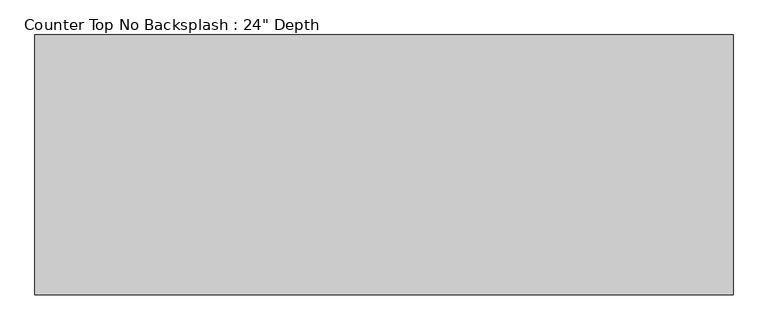
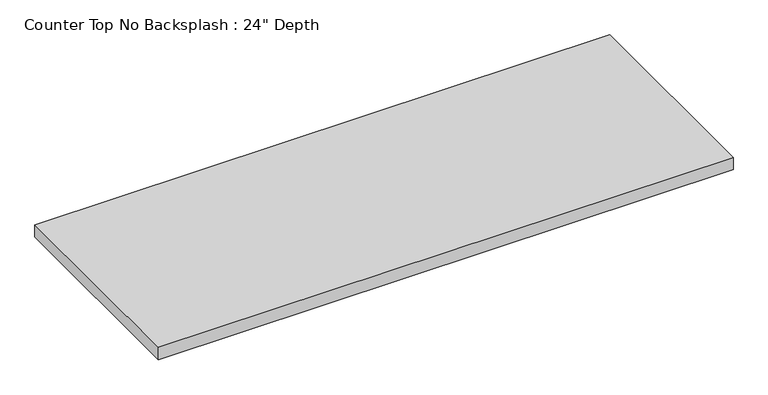
"""IFC4 building model written with IfcOpenShell, lengths in millimetres: furniture geometry."""

from ifc_helpers import new_model, si_unit, frame, origin, place, context, project, spatial, polyline, outline, extrude, source, transform, mapped, element, save


def furniture_f43108c1(model_context):
    return source(origin(), model_context, "Body", "SweptSolid", [
        extrude(outline(polyline([(504.5127049, 0.0), (504.5127049, -635.0), (-1200.4622951, -635.0), (-1200.4622951, 0.0), (504.5127049, 0.0)])), frame((0.0, 0.0, 876.3), z_axis=(0.0, 0.0, 1.0), x_axis=(1.0, 0.0, 0.0)), (0.0, 0.0, 1.0), 38.1),
    ])


if __name__ == "__main__":
    model = new_model("IFC4")
    model_context = context("Model", 3, world=origin())
    ifc_project = project(units=[si_unit("LENGTHUNIT", "METRE", prefix="MILLI")], contexts=[model_context])
    site = spatial("IfcSite", under=ifc_project)
    building = spatial("IfcBuilding", under=site)
    placement = place(None, origin())
    furniture_shape = furniture_f43108c1(model_context)
    element("IfcFurniture", 1, ObjectType="Counter Top No Backsplash : 24\" Depth", at=placement, inside=building, context=model_context, shape_type="MappedRepresentation", body=[
        mapped(furniture_shape, transform((0.0, 0.0, 0.0), x_axis=(1.0, 0.0, 0.0), y_axis=(0.0, 1.0, 0.0), z_axis=(0.0, 0.0, 1.0))),
    ])
    save(model, "model.ifc")
